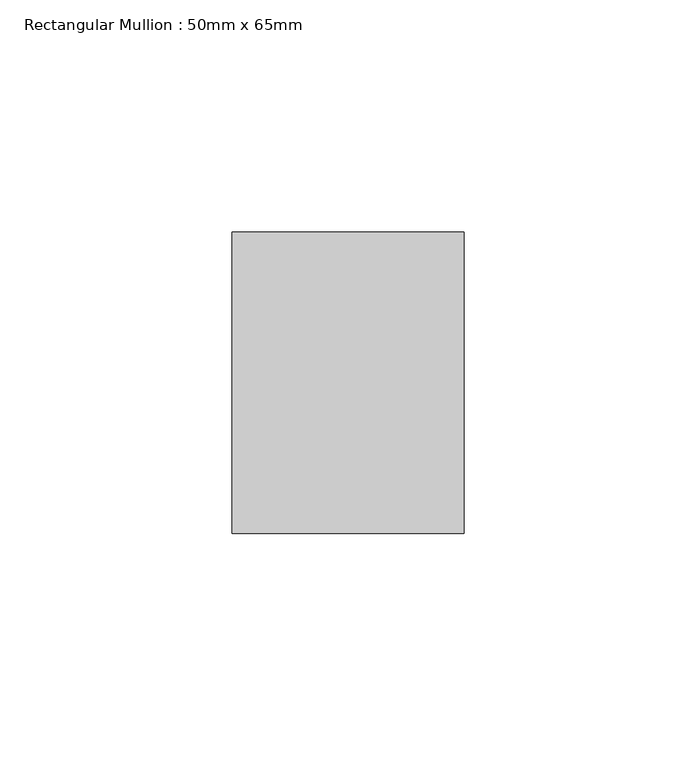
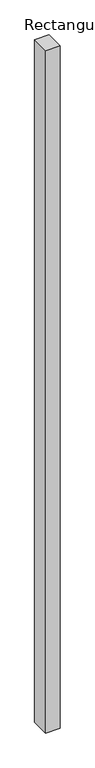
"""IFC4 building model written with IfcOpenShell, lengths in millimetres: member geometry, Rectangular Mullion : 50mm x 65mm."""

from ifc_helpers import new_model, si_unit, frame, origin, place, context, project, spatial, polyline, outline, extrude, source, transform, mapped, element, save


def rectangular_mullion_50mm_x_65mm_d2d2fd0a(model_context):
    return source(origin(), model_context, "Body", "SweptSolid", [
        extrude(outline(polyline([(25.0, 32.5), (25.0, -32.5), (-25.0, -32.5), (-25.0, 32.5), (25.0, 32.5)])), frame((0.0, 0.0, -2478.025882), z_axis=(0.0, 0.0, 1.0), x_axis=(1.0, 0.0, 0.0)), (0.0, 0.0, 1.0), 2478.025882),
    ])


if __name__ == "__main__":
    model = new_model("IFC4")
    model_context = context("Model", 3, world=origin())
    ifc_project = project(units=[si_unit("LENGTHUNIT", "METRE", prefix="MILLI")], contexts=[model_context])
    site = spatial("IfcSite", under=ifc_project)
    building = spatial("IfcBuilding", under=site)
    placement = place(None, origin())
    rectangular_mullion_50mm_x_65mm_shape = rectangular_mullion_50mm_x_65mm_d2d2fd0a(model_context)
    element("IfcMember", 1, ObjectType="Rectangular Mullion : 50mm x 65mm", at=placement, inside=building, context=model_context, shape_type="MappedRepresentation", body=[
        mapped(rectangular_mullion_50mm_x_65mm_shape, transform((0.0, 0.0, 0.0), x_axis=(1.0, 0.0, 0.0), y_axis=(0.0, 1.0, 0.0), z_axis=(0.0, 0.0, 1.0))),
    ])
    save(model, "model.ifc")
